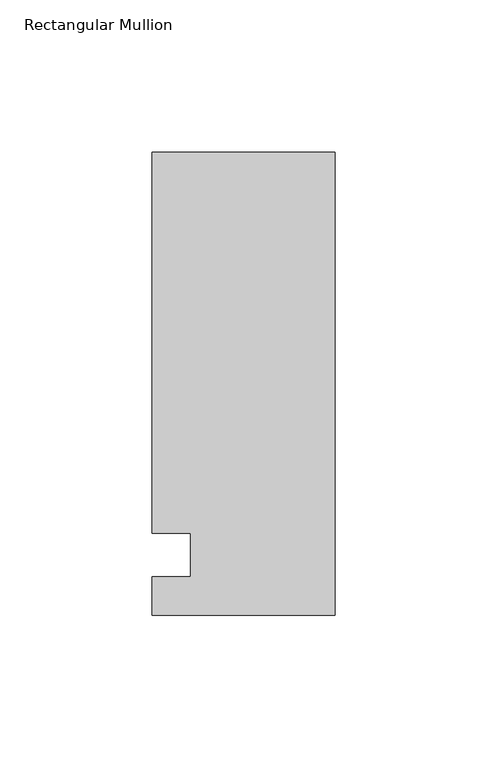
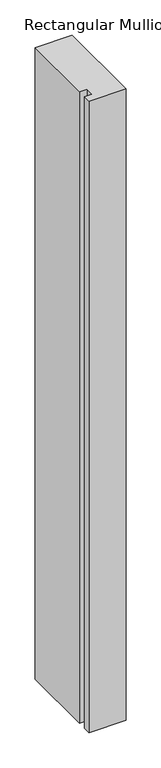
"""IFC4 building model written with IfcOpenShell, lengths in millimetres: member geometry, Rectangular Mullion."""

from ifc_helpers import new_model, si_unit, frame, origin, place, context, project, spatial, polyline, outline, extrude, source, transform, mapped, element, save


def rectangular_mullion_532d695d(model_context):
    return source(origin(), model_context, "Body", "SweptSolid", [
        extrude(outline(polyline([(-60.325, 132.55625), (0.0, 132.55625), (0.0, -19.84375), (-60.325, -19.84375), (-60.325, -7.14375), (-47.6232296, -7.14375), (-47.6232296, 7.14375), (-60.325, 7.14375), (-60.325, 132.55625)])), frame((0.0, 0.0, -1091.0405973), z_axis=(0.0, 0.0, 1.0), x_axis=(1.0, 0.0, 0.0)), (0.0, 0.0, 1.0), 1091.0405973),
    ])


if __name__ == "__main__":
    model = new_model("IFC4")
    model_context = context("Model", 3, world=origin())
    ifc_project = project(units=[si_unit("LENGTHUNIT", "METRE", prefix="MILLI")], contexts=[model_context])
    site = spatial("IfcSite", under=ifc_project)
    building = spatial("IfcBuilding", under=site)
    placement = place(None, origin())
    rectangular_mullion_shape = rectangular_mullion_532d695d(model_context)
    element("IfcMember", 1, ObjectType="Rectangular Mullion", at=placement, inside=building, context=model_context, shape_type="MappedRepresentation", body=[
        mapped(rectangular_mullion_shape, transform((0.0, 0.0, 0.0), x_axis=(1.0, 0.0, 0.0), y_axis=(0.0, 1.0, 0.0), z_axis=(0.0, 0.0, 1.0))),
    ])
    save(model, "model.ifc")
